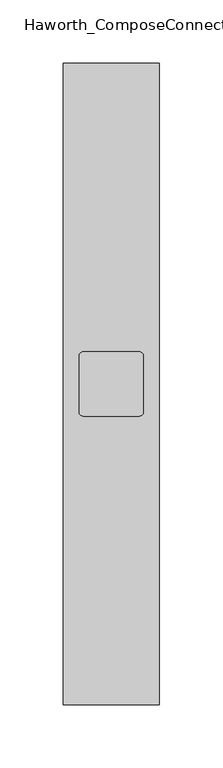
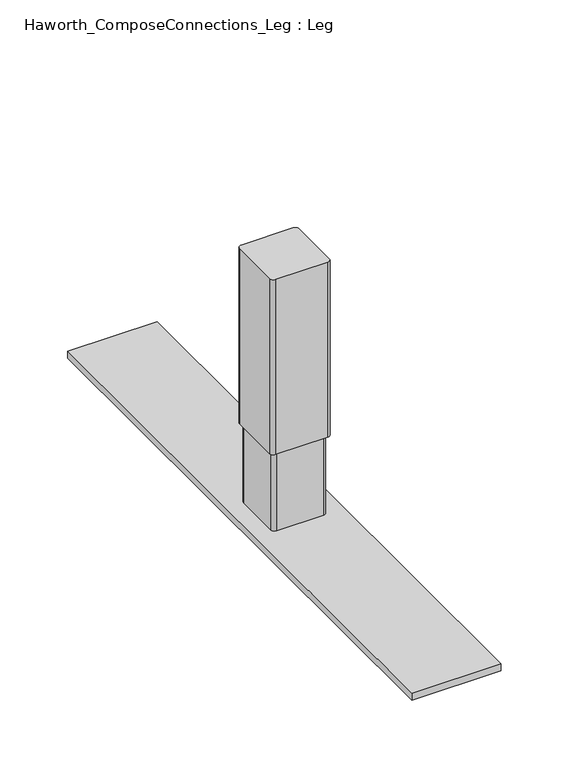
"""IFC4 building model written with IfcOpenShell, lengths in millimetres: furniture geometry, Haworth_ComposeConnections_Leg : Leg."""

from ifc_helpers import new_model, si_unit, point, frame, frame_2d, origin, origin_with_axes, place, context, project, spatial, polyline, circle_curve, trimmed, segment, composite_curve, outline, extrude, source, transform, mapped, element, save


def haworth_composeconnections_leg_leg_0e747890(model_context):
    return source(origin(), model_context, "Body", "SweptSolid", [
        extrude(outline(composite_curve([segment(polyline([(161.9249992, -47.3534841), (206.3749962, -47.3534841)]), True, "CONTINUOUS"), segment(trimmed(circle_curve(frame_2d((206.3749962, -50.5284841)), 3.175), [point((206.3749962, -47.3534841))], [point((209.5499962, -50.5284841))], False, "CARTESIAN"), True, "CONTINUOUS"), segment(polyline([(209.5499962, -50.5284841), (209.5499962, -94.9784822)]), True, "CONTINUOUS"), segment(trimmed(circle_curve(frame_2d((206.3749962, -94.9784822)), 3.175), [point((209.5499962, -94.9784822))], [point((206.3749962, -98.1534822))], False, "CARTESIAN"), True, "CONTINUOUS"), segment(polyline([(206.3749962, -98.1534822), (161.9249992, -98.1534822)]), True, "CONTINUOUS"), segment(trimmed(circle_curve(frame_2d((161.9249992, -94.9784822)), 3.175), [point((161.9249992, -98.1534822))], [point((158.7499992, -94.9784822))], False, "CARTESIAN"), True, "CONTINUOUS"), segment(polyline([(158.7499992, -94.9784822), (158.7499992, -50.5284841)]), True, "CONTINUOUS"), segment(trimmed(circle_curve(frame_2d((161.9249992, -50.5284841)), 3.175), [point((158.7499992, -50.5284841))], [point((161.9249992, -47.3534841))], False, "CARTESIAN"), True, "CONTINUOUS")], self_intersect=False)), frame((0.0, 0.0, 77.215999), z_axis=(0.0, 0.0, 1.0), x_axis=(1.0, 0.0, 0.0)), (0.0, 0.0, 1.0), 157.734001),
        extrude(outline(composite_curve([segment(polyline([(164.2109971, -49.6394819), (204.0889984, -49.6394819)]), True, "CONTINUOUS"), segment(trimmed(circle_curve(frame_2d((204.0889984, -52.8144819)), 3.175), [point((204.0889984, -49.6394819))], [point((207.2639984, -52.8144819))], False, "CARTESIAN"), True, "CONTINUOUS"), segment(polyline([(207.2639984, -52.8144819), (207.2639984, -92.6924821)]), True, "CONTINUOUS"), segment(trimmed(circle_curve(frame_2d((204.0889984, -92.6924821)), 3.175), [point((207.2639984, -92.6924821))], [point((204.0889984, -95.8674821))], False, "CARTESIAN"), True, "CONTINUOUS"), segment(polyline([(204.0889984, -95.8674821), (164.2109971, -95.8674821)]), True, "CONTINUOUS"), segment(trimmed(circle_curve(frame_2d((164.2109971, -92.6924821)), 3.175), [point((164.2109971, -95.8674821))], [point((161.0359971, -92.6924821))], False, "CARTESIAN"), True, "CONTINUOUS"), segment(polyline([(161.0359971, -92.6924821), (161.0359971, -52.8144819)]), True, "CONTINUOUS"), segment(trimmed(circle_curve(frame_2d((164.2109971, -52.8144819)), 3.175), [point((161.0359971, -52.8144819))], [point((164.2109971, -49.6394819))], False, "CARTESIAN"), True, "CONTINUOUS")], self_intersect=False)), frame((0.0, 0.0, 6.35), z_axis=(0.0, 0.0, 1.0), x_axis=(1.0, 0.0, 0.0)), (0.0, 0.0, 1.0), 153.415999),
        extrude(outline(polyline([(222.25, 181.2465234), (222.25, -326.7534766), (146.05, -326.7534766), (146.05, 181.2465234), (222.25, 181.2465234)])), origin_with_axes(), (0.0, 0.0, 1.0), 6.35),
    ])


if __name__ == "__main__":
    model = new_model("IFC4")
    model_context = context("Model", 3, world=origin())
    ifc_project = project(units=[si_unit("LENGTHUNIT", "METRE", prefix="MILLI")], contexts=[model_context])
    site = spatial("IfcSite", under=ifc_project)
    building = spatial("IfcBuilding", under=site)
    placement = place(None, origin())
    haworth_composeconnections_leg_leg_shape = haworth_composeconnections_leg_leg_0e747890(model_context)
    element("IfcFurniture", 1, ObjectType="Haworth_ComposeConnections_Leg : Leg", at=placement, inside=building, context=model_context, shape_type="MappedRepresentation", body=[
        mapped(haworth_composeconnections_leg_leg_shape, transform((0.0, 0.0, 0.0), x_axis=(1.0, 0.0, 0.0), y_axis=(0.0, 1.0, 0.0), z_axis=(0.0, 0.0, 1.0))),
    ])
    save(model, "model.ifc")
